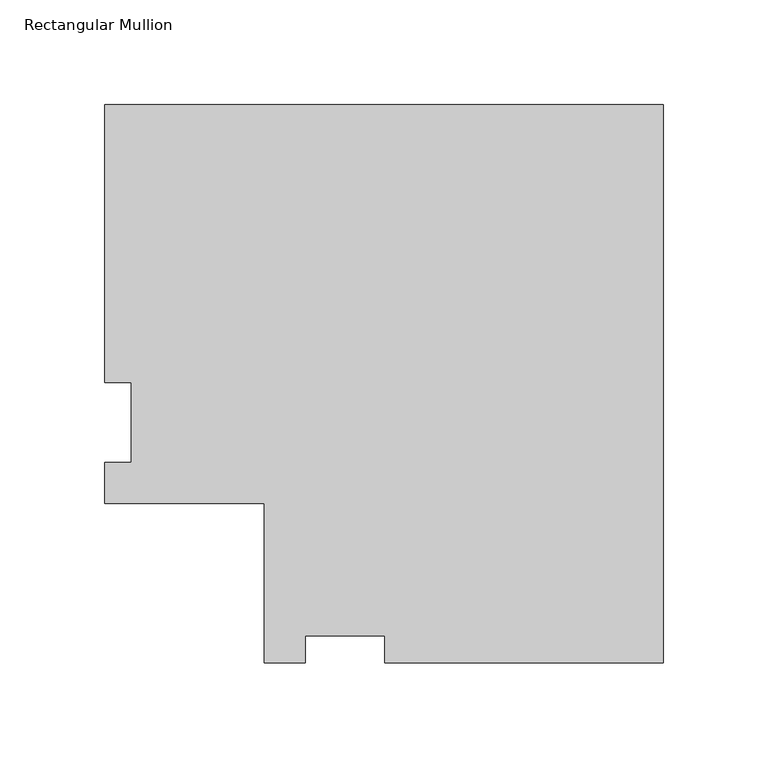
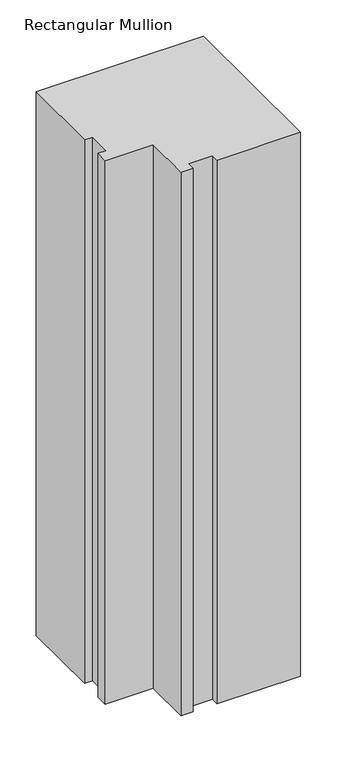
"""IFC4 building model written with IfcOpenShell, lengths in millimetres: member geometry, Rectangular Mullion."""

from ifc_helpers import new_model, si_unit, frame, origin, place, context, project, spatial, polyline, outline, extrude, source, transform, mapped, element, save


def rectangular_mullion_5d7f147d(model_context):
    return source(origin(), model_context, "Body", "SweptSolid", [
        extrude(outline(polyline([(0.0, 190.0936), (0.0, -76.6826), (-132.9436, -76.6826), (-132.9436, -63.9826), (-171.0436, -63.9826), (-171.0436, -76.6826), (-190.5762, -76.6826), (-190.5762, -0.4826), (-266.7762, -0.4826), (-266.7762, 19.05), (-254.0762, 19.05), (-254.0762, 57.15), (-266.7762, 57.15), (-266.7762, 190.0936), (0.0, 190.0936)])), frame((0.0, 0.0, -914.4), z_axis=(0.0, 0.0, 1.0), x_axis=(1.0, 0.0, 0.0)), (0.0, 0.0, 1.0), 914.4),
    ])


if __name__ == "__main__":
    model = new_model("IFC4")
    model_context = context("Model", 3, world=origin())
    ifc_project = project(units=[si_unit("LENGTHUNIT", "METRE", prefix="MILLI")], contexts=[model_context])
    site = spatial("IfcSite", under=ifc_project)
    building = spatial("IfcBuilding", under=site)
    placement = place(None, origin())
    rectangular_mullion_shape = rectangular_mullion_5d7f147d(model_context)
    element("IfcMember", 1, ObjectType="Rectangular Mullion", at=placement, inside=building, context=model_context, shape_type="MappedRepresentation", body=[
        mapped(rectangular_mullion_shape, transform((0.0, 0.0, 0.0), x_axis=(1.0, 0.0, 0.0), y_axis=(0.0, 1.0, 0.0), z_axis=(0.0, 0.0, 1.0))),
    ])
    save(model, "model.ifc")
